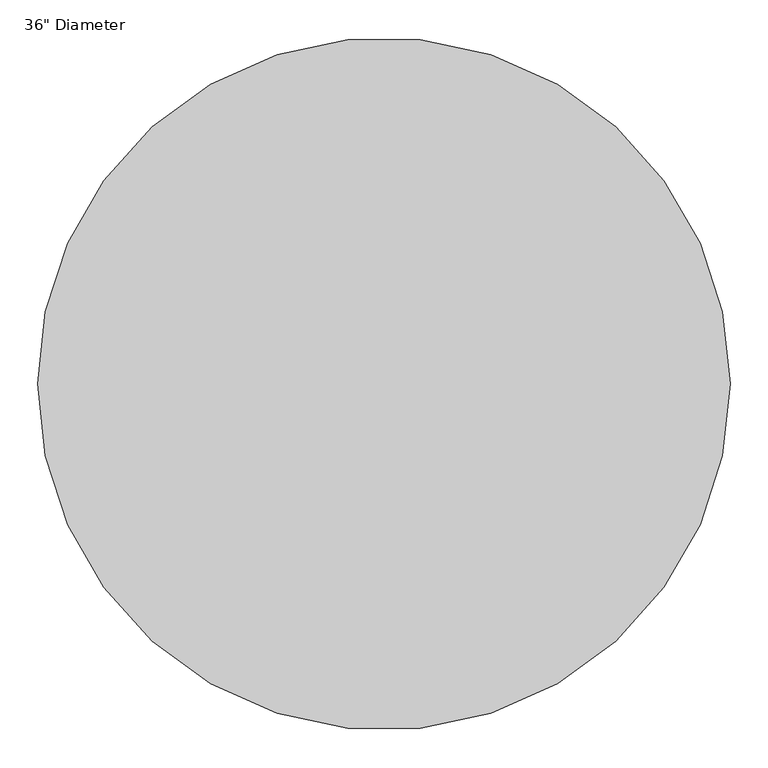
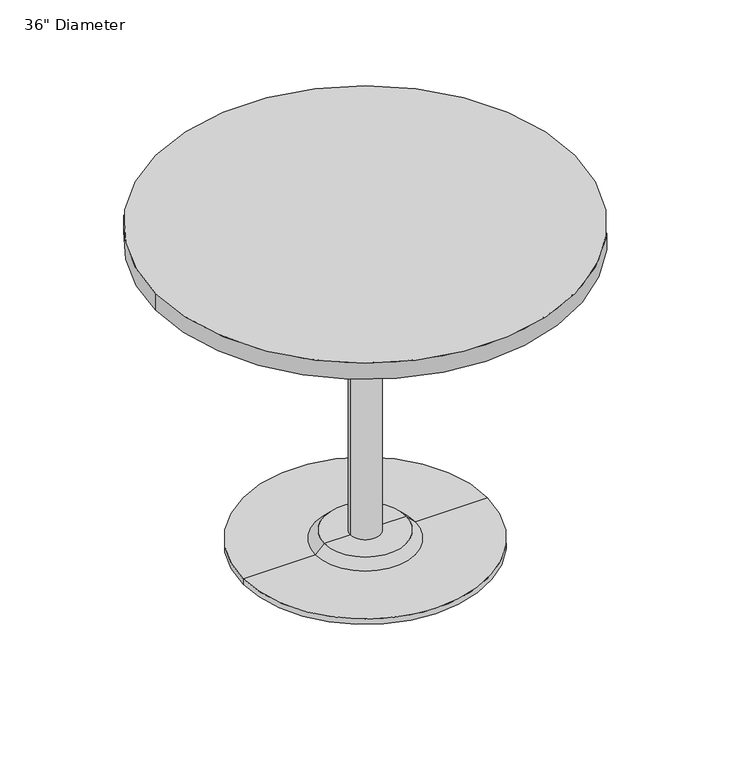
"""IFC4 building model written with IfcOpenShell, lengths in millimetres: furniture geometry."""

from ifc_helpers import new_model, si_unit, point, frame, frame_2d, origin, place, context, project, spatial, polyline, circle_curve, trimmed, segment, composite_curve, outline, extrude, source, transform, mapped, element, save
from ifc_brep_helpers import plane_surface, cylinder_surface, revolved_surface, advanced_brep


def furniture_6418d290(model_context):
    return source(origin(), model_context, "Body", "SolidModel", [
        advanced_brep(
        [(32.573978, 139.7, 698.5), (-32.573978, 139.7, 698.5), (0.0, 139.7, 698.5), (32.573978, 139.7, 31.75), (-32.573978, 139.7, 31.75), (89.723978, 139.7, 31.75), (-89.723978, 139.7, 31.75), (266.7, 139.7, 0.0), (-266.7, 139.7, 0.0), (-266.7, 139.7, 12.7), (266.7, 139.7, 12.7), (0.0, 139.7, 0.0), (108.773978, 139.7, 12.7), (-108.773978, 139.7, 12.7)],
        [
            (0, 1, circle_curve(frame((0.0, 139.7, 698.5), z_axis=(0.0, 0.0, 1.0), x_axis=(-1.0, 0.0, 0.0)), 32.573978)),
            (1, 2),
            (2, 0),
            (1, 0, circle_curve(frame((0.0, 139.7, 698.5), z_axis=(0.0, 0.0, 1.0), x_axis=(-1.0, 0.0, 0.0)), 32.573978)),
            (3, 4, circle_curve(frame((0.0, 139.7, 31.75), z_axis=(0.0, 0.0, 1.0), x_axis=(-1.0, 0.0, 0.0)), 32.573978)),
            (4, 1),
            (0, 3),
            (4, 3, circle_curve(frame((0.0, 139.7, 31.75), z_axis=(0.0, 0.0, 1.0), x_axis=(-1.0, 0.0, 0.0)), 32.573978)),
            (5, 6, circle_curve(frame((0.0, 139.7, 31.75), z_axis=(0.0, 0.0, 1.0), x_axis=(-1.0, 0.0, 0.0)), 89.723978)),
            (6, 4),
            (3, 5),
            (6, 5, circle_curve(frame((0.0, 139.7, 31.75), z_axis=(0.0, 0.0, 1.0), x_axis=(-1.0, 0.0, 0.0)), 89.723978)),
            (7, 8, circle_curve(frame((0.0, 139.7, 0.0), z_axis=(0.0, 0.0, 1.0), x_axis=(-1.0, 0.0, 0.0)), 266.7)),
            (8, 9),
            (9, 10, circle_curve(frame((0.0, 139.7, 12.7), z_axis=(0.0, 0.0, -1.0), x_axis=(-1.0, 0.0, 0.0)), 266.7)),
            (10, 7),
            (8, 7, circle_curve(frame((0.0, 139.7, 0.0), z_axis=(0.0, 0.0, 1.0), x_axis=(-1.0, 0.0, 0.0)), 266.7)),
            (10, 9, circle_curve(frame((0.0, 139.7, 12.7), z_axis=(0.0, 0.0, -1.0), x_axis=(-1.0, 0.0, 0.0)), 266.7)),
            (11, 8),
            (7, 11),
            (12, 13, circle_curve(frame((0.0, 139.7, 12.7), z_axis=(0.0, 0.0, 1.0), x_axis=(-1.0, 0.0, 0.0)), 108.773978)),
            (13, 6),
            (5, 12),
            (13, 12, circle_curve(frame((0.0, 139.7, 12.7), z_axis=(0.0, 0.0, 1.0), x_axis=(-1.0, 0.0, 0.0)), 108.773978)),
            (9, 13),
            (12, 10),
        ],
        [
            plane_surface(frame((0.0, 139.7, 698.5), z_axis=(0.0, 0.0, 1.0), x_axis=(-1.0, 0.0, 0.0))),
            cylinder_surface(frame((0.0, 139.7, 881.685757), z_axis=(0.0, 0.0, -1.0), x_axis=(-1.0, 0.0, 0.0)), 32.573978),
            plane_surface(frame((0.0, 139.7, 31.75), z_axis=(0.0, 0.0, 1.0), x_axis=(-1.0, 0.0, 0.0))),
            cylinder_surface(frame((0.0, 139.7, 881.685757), z_axis=(0.0, 0.0, -1.0), x_axis=(-1.0, 0.0, 0.0)), 266.7),
            plane_surface(frame((0.0, 139.7, 0.0), z_axis=(0.0, 0.0, -1.0), x_axis=(-1.0, 0.0, 0.0))),
            revolved_surface(polyline([(-89.723978, 139.7, 31.75), (-108.773978, 139.7, 12.7)]), (0.0, 139.7, 881.685757), (0.0, 0.0, -1.0)),
            plane_surface(frame((0.0, 139.7, 12.7), z_axis=(0.0, 0.0, 1.0), x_axis=(-1.0, 0.0, 0.0))),
        ],
        [
            (0, [[1, 2, 3]]),
            (0, [[4, -3, -2]]),
            (1, [[5, 6, -1, 7]]),
            (1, [[8, -7, -4, -6]]),
            (2, [[9, 10, -5, 11]]),
            (2, [[12, -11, -8, -10]]),
            (3, [[13, 14, 15, 16]]),
            (3, [[17, -16, 18, -14]]),
            (4, [[19, -13, 20]]),
            (4, [[-20, -17, -19]]),
            (5, [[21, 22, -9, 23]]),
            (5, [[24, -23, -12, -22]]),
            (6, [[-15, 25, -21, 26]]),
            (6, [[-18, -26, -24, -25]]),
        ],
    ),
        extrude(outline(composite_curve([segment(trimmed(circle_curve(frame_2d((0.0, 139.7)), 457.2), [point((-457.2, 139.7))], [point((457.2, 139.7))], False, "CARTESIAN"), True, "CONTINUOUS"), segment(trimmed(circle_curve(frame_2d((0.0, 139.7)), 457.2), [point((457.2, 139.7))], [point((-457.2, 139.7))], False, "CARTESIAN"), True, "CONTINUOUS")], self_intersect=False)), frame((0.0, 0.0, 698.5), z_axis=(0.0, 0.0, 1.0), x_axis=(1.0, 0.0, 0.0)), (0.0, 0.0, 1.0), 38.1),
    ])


if __name__ == "__main__":
    model = new_model("IFC4")
    model_context = context("Model", 3, world=origin())
    ifc_project = project(units=[si_unit("LENGTHUNIT", "METRE", prefix="MILLI")], contexts=[model_context])
    site = spatial("IfcSite", under=ifc_project)
    building = spatial("IfcBuilding", under=site)
    placement = place(None, origin())
    furniture_shape = furniture_6418d290(model_context)
    element("IfcFurniture", 1, ObjectType="36\" Diameter", at=placement, inside=building, context=model_context, shape_type="MappedRepresentation", body=[
        mapped(furniture_shape, transform((0.0, 0.0, 0.0), x_axis=(1.0, 0.0, 0.0), y_axis=(0.0, 1.0, 0.0), z_axis=(0.0, 0.0, 1.0))),
    ])
    save(model, "model.ifc")
